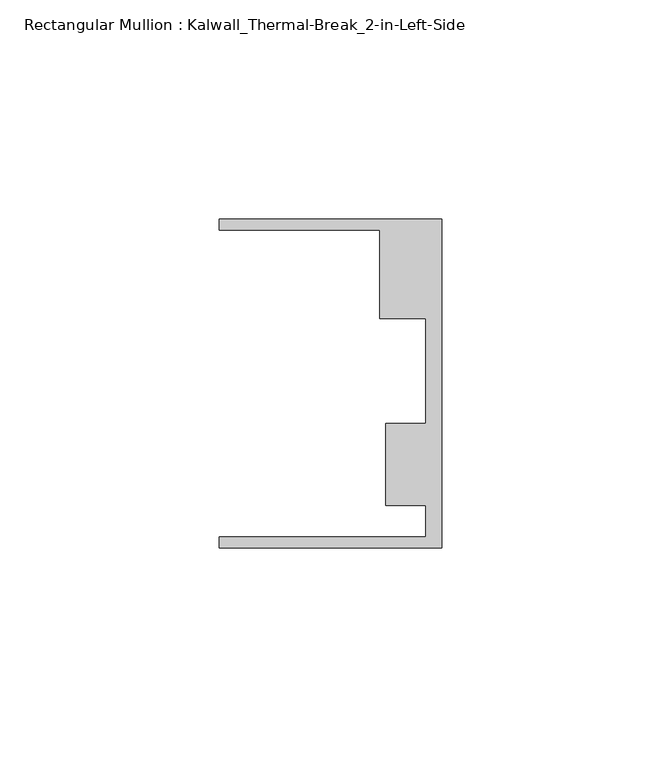
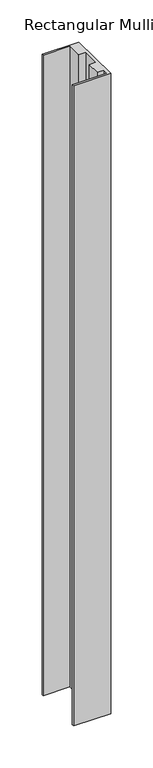
"""IFC4 building model written with IfcOpenShell, lengths in millimetres: member geometry, Rectangular Mullion : Kalwall_Thermal-Break_2-in-Left-Side."""

from ifc_helpers import new_model, si_unit, frame, origin, place, context, project, spatial, polyline, outline, extrude, source, transform, mapped, element, save


def rectangular_mullion_kalwall_thermal_break_2_in_left_side_3e5c1341(model_context):
    return source(origin(), model_context, "Body", "SweptSolid", [
        extrude(outline(polyline([(0.0, -37.5776386), (-50.8, -37.5776386), (-50.8, -35.0376386), (-3.7084, -35.0376386), (-3.7084, -27.8888568), (-12.8272539, -27.8888568), (-12.8272539, -9.1879886), (-3.7084, -9.1879886), (-3.7084, 14.7439614), (-14.1732, 14.7439614), (-14.1732, 34.9623614), (-50.8, 34.9623614), (-50.8, 37.5023614), (0.0, 37.5023614), (0.0, -37.5776386)])), frame((0.0, 0.0, -930.275), z_axis=(0.0, 0.0, 1.0), x_axis=(1.0, 0.0, 0.0)), (0.0, 0.0, 1.0), 930.275),
    ])


if __name__ == "__main__":
    model = new_model("IFC4")
    model_context = context("Model", 3, world=origin())
    ifc_project = project(units=[si_unit("LENGTHUNIT", "METRE", prefix="MILLI")], contexts=[model_context])
    site = spatial("IfcSite", under=ifc_project)
    building = spatial("IfcBuilding", under=site)
    placement = place(None, origin())
    rectangular_mullion_kalwall_thermal_break_2_in_left_side_shape = rectangular_mullion_kalwall_thermal_break_2_in_left_side_3e5c1341(model_context)
    element("IfcMember", 1, ObjectType="Rectangular Mullion : Kalwall_Thermal-Break_2-in-Left-Side", at=placement, inside=building, context=model_context, shape_type="MappedRepresentation", body=[
        mapped(rectangular_mullion_kalwall_thermal_break_2_in_left_side_shape, transform((0.0, 0.0, 0.0), x_axis=(1.0, 0.0, 0.0), y_axis=(0.0, 1.0, 0.0), z_axis=(0.0, 0.0, 1.0))),
    ])
    save(model, "model.ifc")
